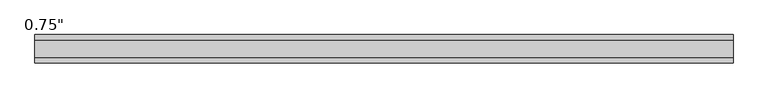
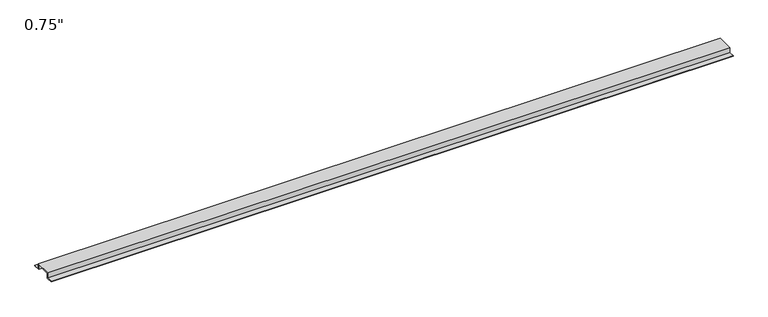
"""IFC4 building model written with IfcOpenShell, lengths in millimetres: proxy geometry."""

from ifc_helpers import new_model, si_unit, frame, origin, place, context, project, spatial, polyline, outline, extrude, source, transform, mapped, element, save


def proxy_9d03c2e5(model_context):
    return source(origin(), model_context, "Body", "SweptSolid", [
        extrude(outline(polyline([(46.0559645, -17.4625), (25.4, -17.4625), (25.4, 0.0), (-25.4, 0.0), (-25.4, -17.4625), (-46.0559645, -17.4625), (-46.0559645, -15.8492), (-27.0129, -15.8492), (-27.0129, 1.6129), (27.0129, 1.6129), (27.0129, -15.8492), (46.0559645, -15.8492), (46.0559645, -17.4625)])), frame((0.0, 0.0, 0.0), z_axis=(1.0, 0.0, 0.0), x_axis=(0.0, 1.0, 0.0)), (0.0, 0.0, 1.0), 2254.25),
    ])


if __name__ == "__main__":
    model = new_model("IFC4")
    model_context = context("Model", 3, world=origin())
    ifc_project = project(units=[si_unit("LENGTHUNIT", "METRE", prefix="MILLI")], contexts=[model_context])
    site = spatial("IfcSite", under=ifc_project)
    building = spatial("IfcBuilding", under=site)
    placement = place(None, origin())
    proxy_shape = proxy_9d03c2e5(model_context)
    element("IfcBuildingElementProxy", 1, Name="0.75\"", ObjectType="0.75\"", at=placement, inside=building, context=model_context, shape_type="MappedRepresentation", body=[
        mapped(proxy_shape, transform((0.0, 0.0, 0.0), x_axis=(1.0, 0.0, 0.0), y_axis=(0.0, 1.0, 0.0), z_axis=(0.0, 0.0, 1.0))),
    ])
    save(model, "model.ifc")
